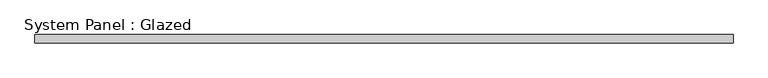
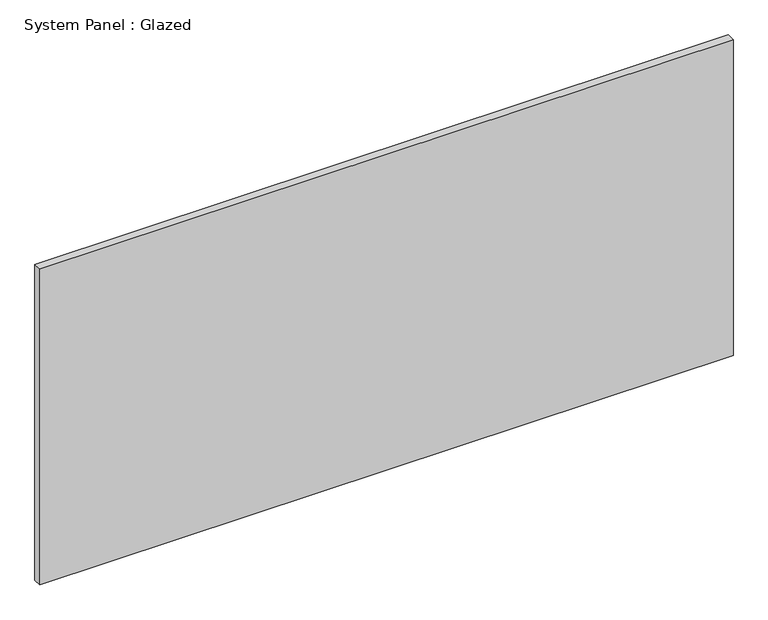
"""IFC4 building model written with IfcOpenShell, lengths in millimetres: plate geometry, System Panel : Glazed."""

from ifc_helpers import new_model, si_unit, origin, origin_with_axes, place, context, project, spatial, polyline, outline, extrude, source, transform, mapped, element, save


def system_panel_glazed_377544d1(model_context):
    return source(origin(), model_context, "Body", "SweptSolid", [
        extrude(outline(polyline([(1037.5, 24.5), (-1037.5, 24.5), (-1037.5, 49.5), (1037.5, 49.5), (1037.5, 24.5)])), origin_with_axes(), (0.0, 0.0, 1.0), 1000.0),
    ])


if __name__ == "__main__":
    model = new_model("IFC4")
    model_context = context("Model", 3, world=origin())
    ifc_project = project(units=[si_unit("LENGTHUNIT", "METRE", prefix="MILLI")], contexts=[model_context])
    site = spatial("IfcSite", under=ifc_project)
    building = spatial("IfcBuilding", under=site)
    placement = place(None, origin())
    system_panel_glazed_shape = system_panel_glazed_377544d1(model_context)
    element("IfcPlate", 1, ObjectType="System Panel : Glazed", at=placement, inside=building, context=model_context, shape_type="MappedRepresentation", body=[
        mapped(system_panel_glazed_shape, transform((0.0, 0.0, 0.0), x_axis=(1.0, 0.0, 0.0), y_axis=(0.0, 1.0, 0.0), z_axis=(0.0, 0.0, 1.0))),
    ])
    save(model, "model.ifc")
